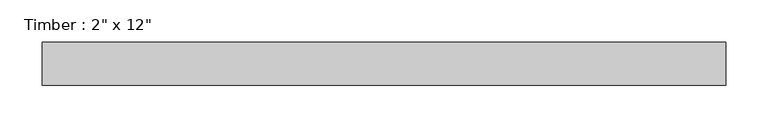
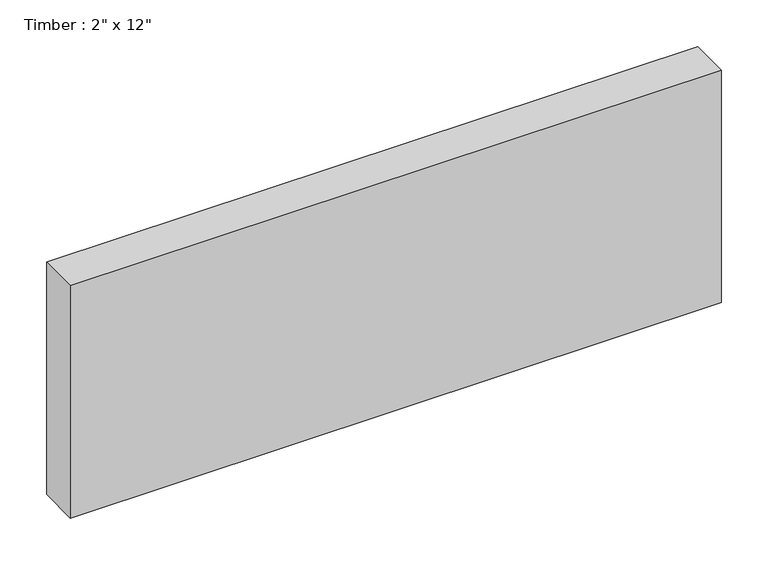
"""IFC4 building model written with IfcOpenShell, lengths in millimetres: beam geometry."""

import ifcopenshell
import ifcopenshell.guid

model = None  # the IFC model being written
_history = None  # IfcOwnerHistory: only IFC2X3 demands one
_inside = {}  # id of a spatial element -> (the spatial element, [elements in it])
_under = {}  # id of a project, library or spatial element -> (it, [spatial elements below it])
_declared = {}  # id of a project -> (the project, [libraries it declares])
_typed = {}  # id of a type object -> (the type object, [elements of that type])
_made_of = {}  # id of a material, layer set ... -> (it, [elements and type objects made of it])


def new_model(schema):
    """Start an empty IFC model of exactly this schema.

    Asked for "IFC4X3", IfcOpenShell would pick the latest addendum, in which some entities
    have other attributes; the version numbers below select the first issue.
    IFC2X3 requires an IfcOwnerHistory on every rooted entity: one is made here for all.
    """
    global model, _history
    if schema == "IFC4X3":
        model = ifcopenshell.file(schema_version=(4, 3, 0, 0))
    else:
        model = ifcopenshell.file(schema=schema)
    _inside.clear()
    _under.clear()
    _declared.clear()
    _typed.clear()
    _made_of.clear()
    _history = None
    if model.schema == "IFC2X3":
        org = make("IfcOrganization", Name="unknown")
        user = make(
            "IfcPersonAndOrganization",
            ThePerson=make("IfcPerson", FamilyName="unknown"),
            TheOrganization=org,
        )
        app = make(
            "IfcApplication",
            ApplicationDeveloper=org,
            Version="unknown",
            ApplicationFullName="unknown",
            ApplicationIdentifier="unknown",
        )
        _history = make(
            "IfcOwnerHistory",
            OwningUser=user,
            OwningApplication=app,
            ChangeAction="ADDED",
            CreationDate=0,
        )
    return model


def make(cls, **values):
    """One entity of the class cls with the attributes given. An attribute that is None is left unset."""
    return model.create_entity(
        cls, **{name: value for name, value in values.items() if value is not None}
    )


def rooted(cls, **values):
    """An entity with a GlobalId (a new one), such as an element, a storey or a relation."""
    return make(cls, GlobalId=ifcopenshell.guid.new(), OwnerHistory=_history, **values)


def si_unit(unit_type, name, prefix=None):
    """IfcSIUnit, for example si_unit("LENGTHUNIT", "METRE", prefix="MILLI")."""
    return make("IfcSIUnit", UnitType=unit_type, Prefix=prefix, Name=name)


def assignment(units):
    """IfcUnitAssignment: the units of a project."""
    return None if units is None else make("IfcUnitAssignment", Units=units)


def point(xyz):
    """IfcCartesianPoint."""
    return None if xyz is None else make("IfcCartesianPoint", Coordinates=xyz)


def direction(xyz):
    """IfcDirection."""
    return None if xyz is None else make("IfcDirection", DirectionRatios=xyz)


def frame(location, z_axis=None, x_axis=None):
    """IfcAxis2Placement3D, a coordinate frame: its origin and axes. An axis left out is left unset."""
    return make(
        "IfcAxis2Placement3D",
        Location=point(location),
        Axis=direction(z_axis),
        RefDirection=direction(x_axis),
    )


def origin():
    """The frame at (0, 0, 0) with its axes left unset."""
    return frame((0.0, 0.0, 0.0))


def place(relative_to, where):
    """IfcLocalPlacement: puts the frame where relative to a parent placement (None: the world)."""
    return make(
        "IfcLocalPlacement", PlacementRelTo=relative_to, RelativePlacement=where
    )


def context(
    kind, dimensions, precision=None, world=None, true_north=None, identifier=None
):
    """IfcGeometricRepresentationContext, for example the 3D "Model" context."""
    return make(
        "IfcGeometricRepresentationContext",
        ContextIdentifier=identifier,
        ContextType=kind,
        CoordinateSpaceDimension=dimensions,
        Precision=precision,
        WorldCoordinateSystem=world,
        TrueNorth=true_north,
    )


def project(units=None, contexts=None):
    """IfcProject with its units and contexts."""
    return rooted(
        "IfcProject",
        Name="project",
        RepresentationContexts=contexts,
        UnitsInContext=assignment(units),
    )


def spatial(cls, under=None, at=None, **own):
    """A site, building, storey or space (cls), placed at a placement, below another one or the project."""
    s = rooted(cls, ObjectPlacement=at, **own)
    if under is not None:
        _under.setdefault(under.id(), (under, []))[1].append(s)
    return s


def polyline(points):
    """IfcPolyline through the points."""
    return make("IfcPolyline", Points=[point(p) for p in points])


def outline(outer, holes=None, kind="AREA"):
    """IfcArbitraryClosedProfileDef: a profile drawn as a closed curve; with holes, ...WithVoids."""
    if holes is None:
        return make("IfcArbitraryClosedProfileDef", ProfileType=kind, OuterCurve=outer)
    return make(
        "IfcArbitraryProfileDefWithVoids",
        ProfileType=kind,
        OuterCurve=outer,
        InnerCurves=holes,
    )


def extrude(swept, where, along, depth):
    """IfcExtrudedAreaSolid: the profile swept, set in the frame where, extruded along a direction by depth."""
    return make(
        "IfcExtrudedAreaSolid",
        SweptArea=swept,
        Position=where,
        ExtrudedDirection=direction(along),
        Depth=depth,
    )


def shape(context_of_items, identifier, shape_type, items):
    """IfcShapeRepresentation: the items that make up one representation, for example the "Body"."""
    return make(
        "IfcShapeRepresentation",
        ContextOfItems=context_of_items,
        RepresentationIdentifier=identifier,
        RepresentationType=shape_type,
        Items=items,
    )


def source(mapping_origin, context_of_items, identifier, shape_type, items):
    """IfcRepresentationMap: a shape defined once, which mapped items show again and again."""
    return make(
        "IfcRepresentationMap",
        MappingOrigin=mapping_origin,
        MappedRepresentation=shape(context_of_items, identifier, shape_type, items),
    )


def transform(
    local_origin,
    x_axis=None,
    y_axis=None,
    z_axis=None,
    scale=None,
    scale2=None,
    scale3=None,
    uniform=True,
):
    """IfcCartesianTransformationOperator3D, or its non-uniform kind. x_axis, y_axis, z_axis: its Axis1, 2, 3."""
    if uniform:
        return make(
            "IfcCartesianTransformationOperator3D",
            Axis1=direction(x_axis),
            Axis2=direction(y_axis),
            LocalOrigin=point(local_origin),
            Scale=scale,
            Axis3=direction(z_axis),
        )
    return make(
        "IfcCartesianTransformationOperator3DnonUniform",
        Axis1=direction(x_axis),
        Axis2=direction(y_axis),
        LocalOrigin=point(local_origin),
        Scale=scale,
        Axis3=direction(z_axis),
        Scale2=scale2,
        Scale3=scale3,
    )


def mapped(mapping_source, mapping_target):
    """IfcMappedItem: shows the shape of a source again, moved by a transform."""
    return make(
        "IfcMappedItem", MappingSource=mapping_source, MappingTarget=mapping_target
    )


def made_of(thing, what):
    """Note that an element or type object is made of a material, layer set ...; save() writes the relation."""
    if what is not None:
        _made_of.setdefault(what.id(), (what, []))[1].append(thing)
    return thing


def element(
    cls,
    number,
    at=None,
    inside=None,
    cuts=None,
    type_object=None,
    material=None,
    context=None,
    identifier="Body",
    shape_type=None,
    held_by="IfcProductDefinitionShape",
    body=None,
    shapes=None,
    **own,
):
    """One element of the class cls, such as IfcWall. Its Tag is "e" and its number.

    at: its placement. inside: the storey or other place that contains it. cuts: it is an
    opening in that element (IfcRelVoidsElement). A single representation is given by context,
    identifier, shape_type and body (its items); several are given by shapes. held_by: the class
    of the entity that holds the representations. save() writes the other relations.
    """
    e = rooted(cls, Tag="e%d" % number, ObjectPlacement=at, **own)
    if body is not None:
        shapes = [shape(context, identifier, shape_type, body)]
    if shapes is not None:
        e.Representation = make(held_by, Representations=shapes)
    if inside is not None:
        _inside.setdefault(inside.id(), (inside, []))[1].append(e)
    if cuts is not None:
        rooted(
            "IfcRelVoidsElement", RelatingBuildingElement=cuts, RelatedOpeningElement=e
        )
    if type_object is not None:
        _typed.setdefault(type_object.id(), (type_object, []))[1].append(e)
    return made_of(e, material)


def aggregate(whole, parts):
    """IfcRelAggregates: a whole, such as a stair, and the parts it consists of."""
    return rooted("IfcRelAggregates", RelatingObject=whole, RelatedObjects=parts)


def save(model, path):
    """Write the relations noted so far, then the file.

    IfcRelAggregates (storeys below a building ...), IfcRelContainedInSpatialStructure (elements
    in a storey), IfcRelDefinesByType, IfcRelAssociatesMaterial and IfcRelDeclares: one each for
    every whole, place, type object, material and project.
    """
    for whole, parts in _under.values():
        aggregate(whole, parts)
    for where, things in _inside.values():
        rooted(
            "IfcRelContainedInSpatialStructure",
            RelatedElements=things,
            RelatingStructure=where,
        )
    for kind, things in _typed.values():
        rooted("IfcRelDefinesByType", RelatedObjects=things, RelatingType=kind)
    for what, things in _made_of.values():
        rooted("IfcRelAssociatesMaterial", RelatedObjects=things, RelatingMaterial=what)
    for by, libraries in _declared.values():
        rooted("IfcRelDeclares", RelatingContext=by, RelatedDefinitions=libraries)
    model.write(path)


def beam_fcdbadb3(model_context):
    return source(origin(), model_context, "Body", "SweptSolid", [
        extrude(outline(polyline([(395.9268682, 25.4), (395.9268682, -25.4), (-410.566517, -25.4), (-410.566517, 25.4), (395.9268682, 25.4)])), frame((0.0, 0.0, -152.4), z_axis=(0.0, 0.0, 1.0), x_axis=(1.0, 0.0, 0.0)), (0.0, 0.0, 1.0), 304.8),
    ])


if __name__ == "__main__":
    model = new_model("IFC4")
    model_context = context("Model", 3, world=origin())
    ifc_project = project(units=[si_unit("LENGTHUNIT", "METRE", prefix="MILLI")], contexts=[model_context])
    site = spatial("IfcSite", under=ifc_project)
    building = spatial("IfcBuilding", under=site)
    placement = place(None, origin())
    beam_shape = beam_fcdbadb3(model_context)
    element("IfcBeam", 1, ObjectType="Timber : 2\" x 12\"", at=placement, inside=building, context=model_context, shape_type="MappedRepresentation", body=[
        mapped(beam_shape, transform((0.0, 0.0, 0.0), x_axis=(1.0, 0.0, 0.0), y_axis=(0.0, 1.0, 0.0), z_axis=(0.0, 0.0, 1.0))),
    ])
    save(model, "model.ifc")
